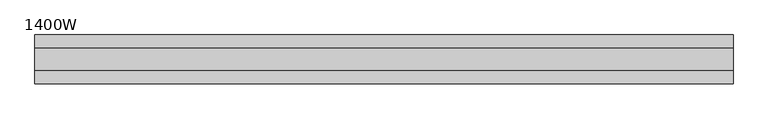
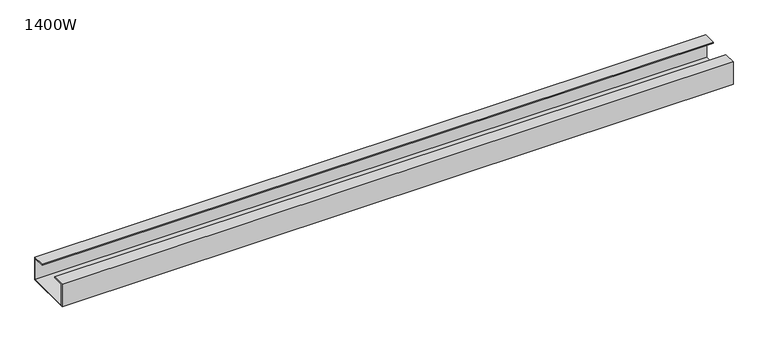
"""IFC4 building model written with IfcOpenShell, lengths in millimetres: furniture geometry, 1400W."""

from ifc_helpers import new_model, si_unit, frame, origin, place, context, project, spatial, polyline, outline, extrude, source, transform, mapped, element, save


def furniture_1400w_1fe1f66c(model_context):
    return source(origin(), model_context, "Body", "SweptSolid", [
        extrude(outline(polyline([(-47.3, 667.0), (-47.3, 715.0), (-22.0, 715.0), (-22.0, 713.0), (-45.3, 713.0), (-45.3, 669.0), (45.3, 669.0), (45.3, 713.0), (22.0, 713.0), (22.0, 715.0), (47.3, 715.0), (47.3, 667.0), (-47.3, 667.0)])), frame((-675.0, 0.0, 0.0), z_axis=(1.0, 0.0, 0.0), x_axis=(0.0, 1.0, 0.0)), (0.0, 0.0, 1.0), 1350.0),
    ])


if __name__ == "__main__":
    model = new_model("IFC4")
    model_context = context("Model", 3, world=origin())
    ifc_project = project(units=[si_unit("LENGTHUNIT", "METRE", prefix="MILLI")], contexts=[model_context])
    site = spatial("IfcSite", under=ifc_project)
    building = spatial("IfcBuilding", under=site)
    placement = place(None, origin())
    furniture_1400w_shape = furniture_1400w_1fe1f66c(model_context)
    element("IfcFurniture", 1, ObjectType="1400W", at=placement, inside=building, context=model_context, shape_type="MappedRepresentation", body=[
        mapped(furniture_1400w_shape, transform((0.0, 0.0, 0.0), x_axis=(1.0, 0.0, 0.0), y_axis=(0.0, 1.0, 0.0), z_axis=(0.0, 0.0, 1.0))),
    ])
    save(model, "model.ifc")
